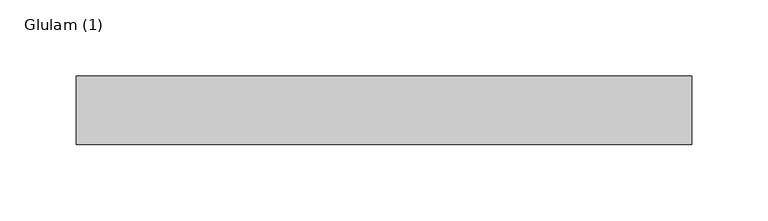
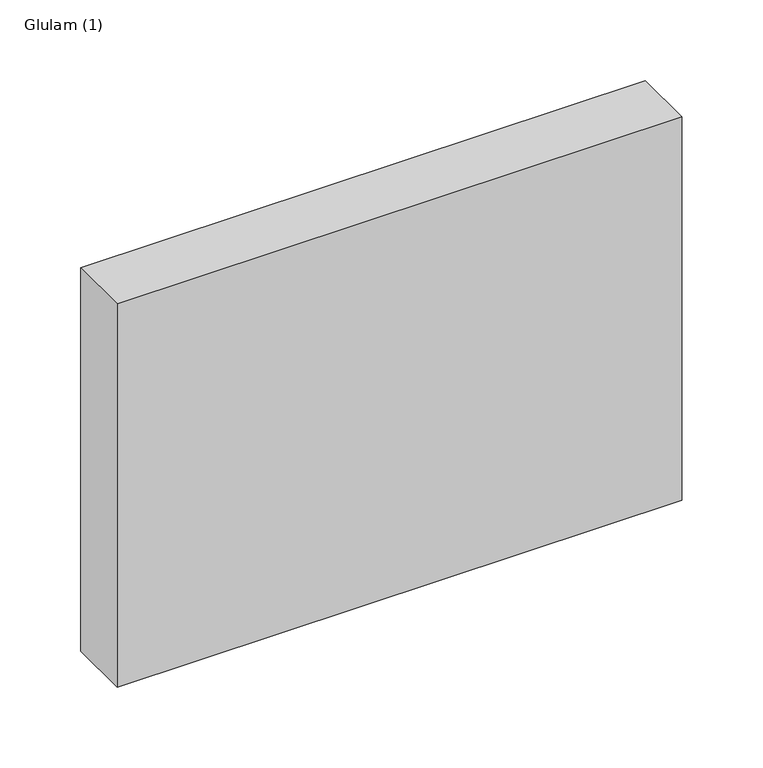
"""IFC4 building model written with IfcOpenShell, lengths in millimetres: beam geometry, Glulam (1)."""

from ifc_helpers import new_model, si_unit, frame, origin, place, context, project, spatial, polyline, outline, extrude, source, transform, mapped, element, save


def glulam_1_02020832(model_context):
    return source(origin(), model_context, "Body", "SweptSolid", [
        extrude(outline(polyline([(202.0, 22.5), (202.0, -22.5), (-202.0, -22.5), (-202.0, 22.5), (202.0, 22.5)])), frame((0.0, 0.0, -145.0), z_axis=(0.0, 0.0, 1.0), x_axis=(1.0, 0.0, 0.0)), (0.0, 0.0, 1.0), 290.0),
    ])


if __name__ == "__main__":
    model = new_model("IFC4")
    model_context = context("Model", 3, world=origin())
    ifc_project = project(units=[si_unit("LENGTHUNIT", "METRE", prefix="MILLI")], contexts=[model_context])
    site = spatial("IfcSite", under=ifc_project)
    building = spatial("IfcBuilding", under=site)
    placement = place(None, origin())
    glulam_1_shape = glulam_1_02020832(model_context)
    element("IfcBeam", 1, ObjectType="Glulam (1)", at=placement, inside=building, context=model_context, shape_type="MappedRepresentation", body=[
        mapped(glulam_1_shape, transform((0.0, 0.0, 0.0), x_axis=(1.0, 0.0, 0.0), y_axis=(0.0, 1.0, 0.0), z_axis=(0.0, 0.0, 1.0))),
    ])
    save(model, "model.ifc")
